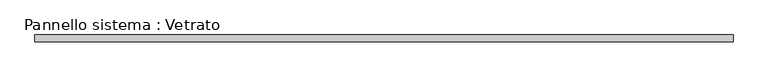
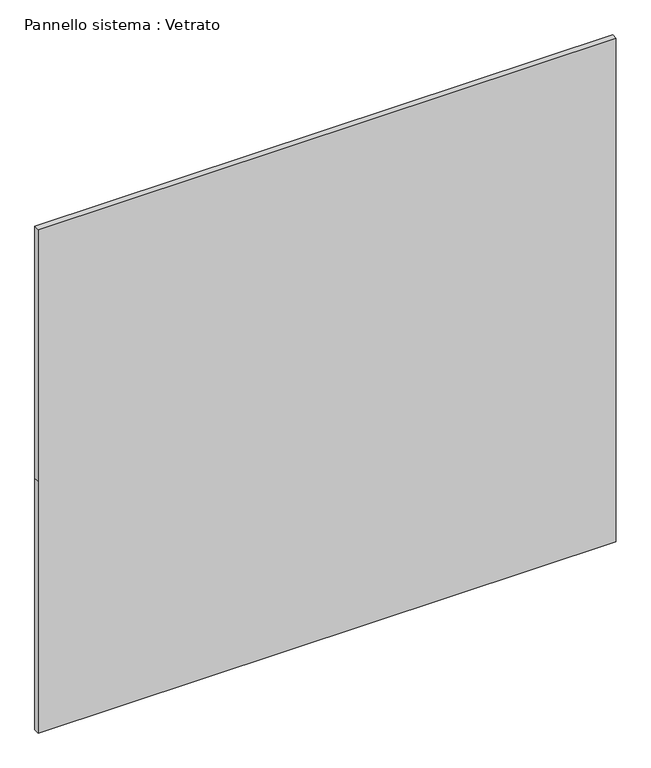
"""IFC4 building model written with IfcOpenShell, lengths in millimetres: plate geometry, Pannello sistema : Vetrato."""

from ifc_helpers import new_model, si_unit, frame, origin, place, context, project, spatial, polyline, outline, extrude, source, transform, mapped, element, save


def pannello_sistema_vetrato_e8881f62(model_context):
    return source(origin(), model_context, "Body", "SweptSolid", [
        extrude(outline(polyline([(0.0, -1575.0), (0.0, 1575.0), (1450.0, 1575.0), (2900.0, 1575.0), (2900.0, -1575.0), (1450.0, -1575.0), (0.0, -1575.0)])), frame((0.0, -15.0, 0.0), z_axis=(0.0, 1.0, 0.0), x_axis=(0.0, 0.0, 1.0)), (0.0, 0.0, 1.0), 30.0),
    ])


if __name__ == "__main__":
    model = new_model("IFC4")
    model_context = context("Model", 3, world=origin())
    ifc_project = project(units=[si_unit("LENGTHUNIT", "METRE", prefix="MILLI")], contexts=[model_context])
    site = spatial("IfcSite", under=ifc_project)
    building = spatial("IfcBuilding", under=site)
    placement = place(None, origin())
    pannello_sistema_vetrato_shape = pannello_sistema_vetrato_e8881f62(model_context)
    element("IfcPlate", 1, ObjectType="Pannello sistema : Vetrato", at=placement, inside=building, context=model_context, shape_type="MappedRepresentation", body=[
        mapped(pannello_sistema_vetrato_shape, transform((0.0, 0.0, 0.0), x_axis=(1.0, 0.0, 0.0), y_axis=(0.0, 1.0, 0.0), z_axis=(0.0, 0.0, 1.0))),
    ])
    save(model, "model.ifc")
